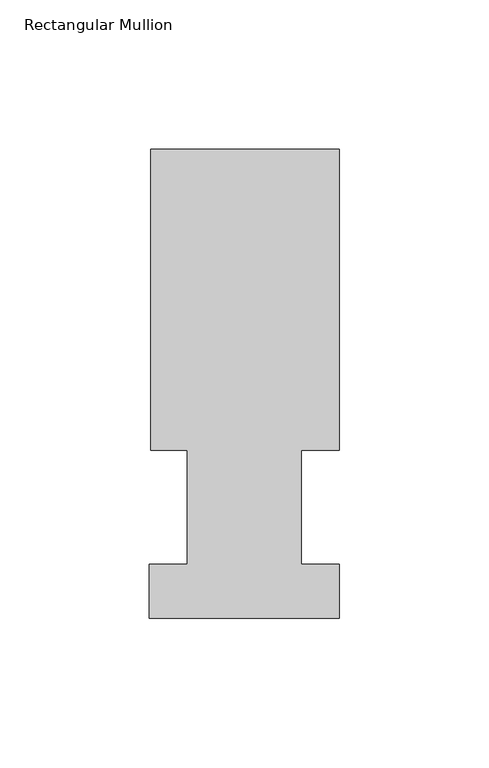
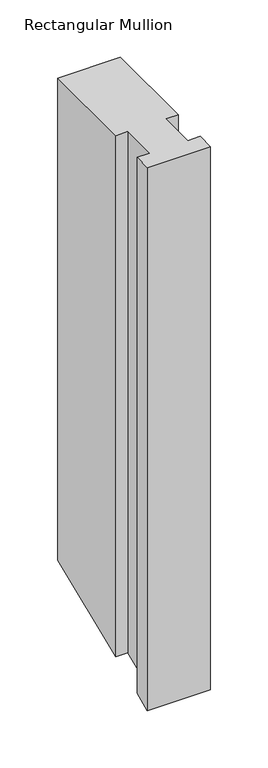
"""IFC4 building model written with IfcOpenShell, lengths in millimetres: member geometry, Rectangular Mullion."""

from ifc_helpers import new_model, si_unit, origin, place, context, project, spatial, faceted_brep, source, transform, mapped, element, save


def rectangular_mullion_f78b488b(model_context):
    return source(origin(), model_context, "Body", "Brep", [
        faceted_brep([(-63.0936, 56.6539062, 0.0), (-50.8, 56.6539062, 0.0), (-50.8, 18.5539062, 0.0), (-63.5, 18.5539062, 0.0), (-63.5, 0.5199062, 0.0), (0.0, 0.5199062, 0.0), (0.0, 18.5539062, 0.0), (-12.6746, 18.5539062, 0.0), (-12.6746, 56.6539062, 0.0), (0.0, 56.6539062, 0.0), (0.0, 157.3395062, 0.0), (-63.0936, 157.3395062, 0.0), (-63.0936, 56.6539062, -554.3831837), (-50.8, 56.6539062, -554.3831837), (-50.8, 18.5539062, -570.1647204), (-63.5, 18.5539062, -570.1647204), (-63.5, 0.5199062, -577.6346478), (0.0, 0.5199062, -577.6346478), (0.0, 18.5539062, -570.1647204), (-12.6746, 18.5539062, -570.1647204), (-12.6746, 56.6539062, -554.3831837), (0.0, 56.6539063, -554.3831837), (0.0, 157.3395062, -512.6778426), (-63.0936, 157.3395062, -512.6778426)], [[[0, 1, 2, 3, 4, 5, 6, 7, 8, 9, 10, 11]], [[1, 0, 12, 13]], [[2, 1, 13, 14]], [[3, 2, 14, 15]], [[4, 3, 15, 16]], [[5, 4, 16, 17]], [[6, 5, 17, 18]], [[7, 6, 18, 19]], [[8, 7, 19, 20]], [[9, 8, 20, 21]], [[10, 9, 21, 22]], [[11, 10, 22, 23]], [[0, 11, 23, 12]], [[12, 23, 22, 21, 20, 19, 18, 17, 16, 15, 14, 13]]]),
    ])


if __name__ == "__main__":
    model = new_model("IFC4")
    model_context = context("Model", 3, world=origin())
    ifc_project = project(units=[si_unit("LENGTHUNIT", "METRE", prefix="MILLI")], contexts=[model_context])
    site = spatial("IfcSite", under=ifc_project)
    building = spatial("IfcBuilding", under=site)
    placement = place(None, origin())
    rectangular_mullion_shape = rectangular_mullion_f78b488b(model_context)
    element("IfcMember", 1, ObjectType="Rectangular Mullion", at=placement, inside=building, context=model_context, shape_type="MappedRepresentation", body=[
        mapped(rectangular_mullion_shape, transform((0.0, 0.0, 0.0), x_axis=(1.0, 0.0, 0.0), y_axis=(0.0, 1.0, 0.0), z_axis=(0.0, 0.0, 1.0))),
    ])
    save(model, "model.ifc")
